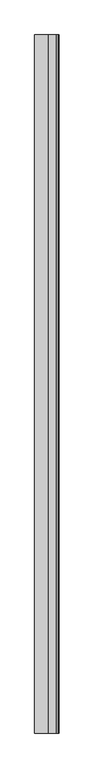
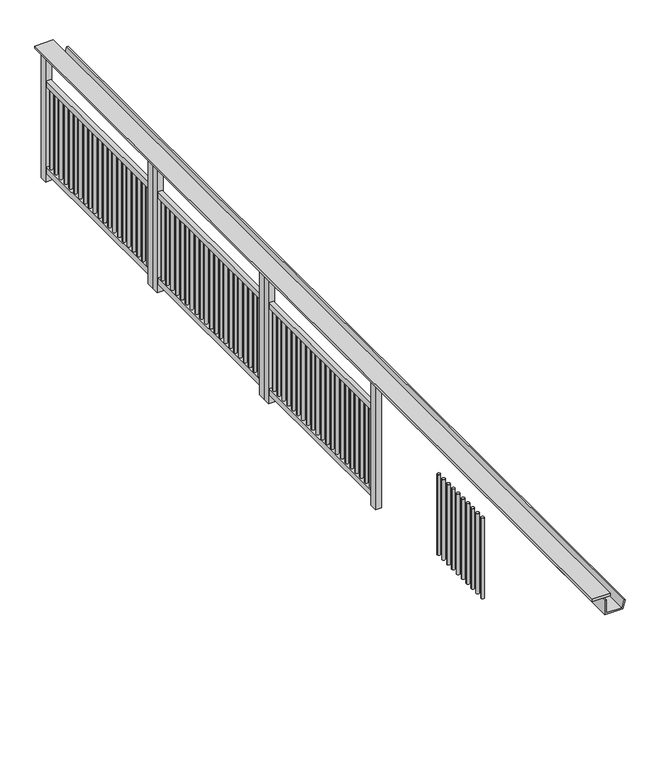
"""IFC4 building model written with IfcOpenShell, lengths in millimetres: railing geometry."""

from ifc_helpers import new_model, si_unit, point, frame, frame_2d, origin, origin_with_axes, place, context, project, spatial, polyline, circle_curve, trimmed, segment, composite_curve, outline, extrude, source, transform, mapped, element, save


def railing_3120b621(model_context):
    return source(origin(), model_context, "Body", "SweptSolid", [
        extrude(outline(polyline([(199.7628773, -25760.8033767), (79.7628773, -25760.8033767), (79.7628773, -19510.8033767), (199.7628773, -19510.8033767), (199.7628773, -25760.8033767)])), frame((0.0, 0.0, 899.8828423), z_axis=(0.0, 0.0, 1.0), x_axis=(1.0, 0.0, 0.0)), (0.0, 0.0, 1.0), 15.1171577),
        extrude(outline(polyline([(780.0, 164.7628773), (780.0, 281.9708011), (836.340031, 297.0670669), (838.9282214, 287.4078087), (790.0, 274.2975312), (790.0, 174.7628773), (880.0, 174.7628773), (880.0, 164.7628773), (780.0, 164.7628773)])), frame((0.0, -25760.8033767, 0.0), z_axis=(0.0, 1.0, 0.0), x_axis=(0.0, 0.0, 1.0)), (0.0, 0.0, 1.0), 6250.0),
        extrude(outline(composite_curve([segment(trimmed(circle_curve(frame_2d((139.7628773, -20680.8026662)), 10.0), [point((149.7628773, -20680.8026662))], [point((129.7628773, -20680.8026662))], False, "CARTESIAN"), True, "CONTINUOUS"), segment(trimmed(circle_curve(frame_2d((139.7628773, -20680.8026662)), 10.0), [point((129.7628773, -20680.8026662))], [point((149.7628773, -20680.8026662))], False, "CARTESIAN"), True, "CONTINUOUS")], self_intersect=False)), frame((0.0, 0.0, 100.0), z_axis=(0.0, 0.0, 1.0), x_axis=(1.0, 0.0, 0.0)), (0.0, 0.0, 1.0), 550.0),
        extrude(outline(composite_curve([segment(trimmed(circle_curve(frame_2d((139.7628773, -20626.3026662)), 10.0), [point((149.7628773, -20626.3026662))], [point((129.7628773, -20626.3026662))], False, "CARTESIAN"), True, "CONTINUOUS"), segment(trimmed(circle_curve(frame_2d((139.7628773, -20626.3026662)), 10.0), [point((129.7628773, -20626.3026662))], [point((149.7628773, -20626.3026662))], False, "CARTESIAN"), True, "CONTINUOUS")], self_intersect=False)), frame((0.0, 0.0, 100.0), z_axis=(0.0, 0.0, 1.0), x_axis=(1.0, 0.0, 0.0)), (0.0, 0.0, 1.0), 550.0),
        extrude(outline(composite_curve([segment(trimmed(circle_curve(frame_2d((139.7628773, -20571.8026662)), 10.0), [point((149.7628773, -20571.8026662))], [point((129.7628773, -20571.8026662))], False, "CARTESIAN"), True, "CONTINUOUS"), segment(trimmed(circle_curve(frame_2d((139.7628773, -20571.8026662)), 10.0), [point((129.7628773, -20571.8026662))], [point((149.7628773, -20571.8026662))], False, "CARTESIAN"), True, "CONTINUOUS")], self_intersect=False)), frame((0.0, 0.0, 100.0), z_axis=(0.0, 0.0, 1.0), x_axis=(1.0, 0.0, 0.0)), (0.0, 0.0, 1.0), 550.0),
        extrude(outline(composite_curve([segment(trimmed(circle_curve(frame_2d((139.7628773, -20517.3026662)), 10.0), [point((149.7628773, -20517.3026662))], [point((129.7628773, -20517.3026662))], False, "CARTESIAN"), True, "CONTINUOUS"), segment(trimmed(circle_curve(frame_2d((139.7628773, -20517.3026662)), 10.0), [point((129.7628773, -20517.3026662))], [point((149.7628773, -20517.3026662))], False, "CARTESIAN"), True, "CONTINUOUS")], self_intersect=False)), frame((0.0, 0.0, 100.0), z_axis=(0.0, 0.0, 1.0), x_axis=(1.0, 0.0, 0.0)), (0.0, 0.0, 1.0), 550.0),
        extrude(outline(composite_curve([segment(trimmed(circle_curve(frame_2d((139.7628773, -20462.8026662)), 10.0), [point((149.7628773, -20462.8026662))], [point((129.7628773, -20462.8026662))], False, "CARTESIAN"), True, "CONTINUOUS"), segment(trimmed(circle_curve(frame_2d((139.7628773, -20462.8026662)), 10.0), [point((129.7628773, -20462.8026662))], [point((149.7628773, -20462.8026662))], False, "CARTESIAN"), True, "CONTINUOUS")], self_intersect=False)), frame((0.0, 0.0, 100.0), z_axis=(0.0, 0.0, 1.0), x_axis=(1.0, 0.0, 0.0)), (0.0, 0.0, 1.0), 550.0),
        extrude(outline(composite_curve([segment(trimmed(circle_curve(frame_2d((139.7628773, -20408.3026662)), 10.0), [point((149.7628773, -20408.3026662))], [point((129.7628773, -20408.3026662))], False, "CARTESIAN"), True, "CONTINUOUS"), segment(trimmed(circle_curve(frame_2d((139.7628773, -20408.3026662)), 10.0), [point((129.7628773, -20408.3026662))], [point((149.7628773, -20408.3026662))], False, "CARTESIAN"), True, "CONTINUOUS")], self_intersect=False)), frame((0.0, 0.0, 100.0), z_axis=(0.0, 0.0, 1.0), x_axis=(1.0, 0.0, 0.0)), (0.0, 0.0, 1.0), 550.0),
        extrude(outline(composite_curve([segment(trimmed(circle_curve(frame_2d((139.7628773, -20353.8026662)), 10.0), [point((149.7628773, -20353.8026662))], [point((129.7628773, -20353.8026662))], False, "CARTESIAN"), True, "CONTINUOUS"), segment(trimmed(circle_curve(frame_2d((139.7628773, -20353.8026662)), 10.0), [point((129.7628773, -20353.8026662))], [point((149.7628773, -20353.8026662))], False, "CARTESIAN"), True, "CONTINUOUS")], self_intersect=False)), frame((0.0, 0.0, 100.0), z_axis=(0.0, 0.0, 1.0), x_axis=(1.0, 0.0, 0.0)), (0.0, 0.0, 1.0), 550.0),
        extrude(outline(composite_curve([segment(trimmed(circle_curve(frame_2d((139.7628773, -20299.3026662)), 10.0), [point((149.7628773, -20299.3026662))], [point((129.7628773, -20299.3026662))], False, "CARTESIAN"), True, "CONTINUOUS"), segment(trimmed(circle_curve(frame_2d((139.7628773, -20299.3026662)), 10.0), [point((129.7628773, -20299.3026662))], [point((149.7628773, -20299.3026662))], False, "CARTESIAN"), True, "CONTINUOUS")], self_intersect=False)), frame((0.0, 0.0, 100.0), z_axis=(0.0, 0.0, 1.0), x_axis=(1.0, 0.0, 0.0)), (0.0, 0.0, 1.0), 550.0),
        extrude(outline(composite_curve([segment(trimmed(circle_curve(frame_2d((139.7628773, -20244.8026662)), 10.0), [point((149.7628773, -20244.8026662))], [point((129.7628773, -20244.8026662))], False, "CARTESIAN"), True, "CONTINUOUS"), segment(trimmed(circle_curve(frame_2d((139.7628773, -20244.8026662)), 10.0), [point((129.7628773, -20244.8026662))], [point((149.7628773, -20244.8026662))], False, "CARTESIAN"), True, "CONTINUOUS")], self_intersect=False)), frame((0.0, 0.0, 100.0), z_axis=(0.0, 0.0, 1.0), x_axis=(1.0, 0.0, 0.0)), (0.0, 0.0, 1.0), 550.0),
        extrude(outline(composite_curve([segment(trimmed(circle_curve(frame_2d((139.7628773, -20190.3026662)), 10.0), [point((149.7628773, -20190.3026662))], [point((129.7628773, -20190.3026662))], False, "CARTESIAN"), True, "CONTINUOUS"), segment(trimmed(circle_curve(frame_2d((139.7628773, -20190.3026662)), 10.0), [point((129.7628773, -20190.3026662))], [point((149.7628773, -20190.3026662))], False, "CARTESIAN"), True, "CONTINUOUS")], self_intersect=False)), frame((0.0, 0.0, 100.0), z_axis=(0.0, 0.0, 1.0), x_axis=(1.0, 0.0, 0.0)), (0.0, 0.0, 1.0), 550.0),
        extrude(outline(composite_curve([segment(trimmed(circle_curve(frame_2d((139.7628773, -20135.8026662)), 10.0), [point((149.7628773, -20135.8026662))], [point((129.7628773, -20135.8026662))], False, "CARTESIAN"), True, "CONTINUOUS"), segment(trimmed(circle_curve(frame_2d((139.7628773, -20135.8026662)), 10.0), [point((129.7628773, -20135.8026662))], [point((149.7628773, -20135.8026662))], False, "CARTESIAN"), True, "CONTINUOUS")], self_intersect=False)), frame((0.0, 0.0, 100.0), z_axis=(0.0, 0.0, 1.0), x_axis=(1.0, 0.0, 0.0)), (0.0, 0.0, 1.0), 550.0),
        extrude(outline(composite_curve([segment(trimmed(circle_curve(frame_2d((139.7628773, -20081.3026662)), 10.0), [point((149.7628773, -20081.3026662))], [point((129.7628773, -20081.3026662))], False, "CARTESIAN"), True, "CONTINUOUS"), segment(trimmed(circle_curve(frame_2d((139.7628773, -20081.3026662)), 10.0), [point((129.7628773, -20081.3026662))], [point((149.7628773, -20081.3026662))], False, "CARTESIAN"), True, "CONTINUOUS")], self_intersect=False)), frame((0.0, 0.0, 100.0), z_axis=(0.0, 0.0, 1.0), x_axis=(1.0, 0.0, 0.0)), (0.0, 0.0, 1.0), 550.0),
        extrude(outline(composite_curve([segment(trimmed(circle_curve(frame_2d((139.7628773, -20026.8026662)), 10.0), [point((149.7628773, -20026.8026662))], [point((129.7628773, -20026.8026662))], False, "CARTESIAN"), True, "CONTINUOUS"), segment(trimmed(circle_curve(frame_2d((139.7628773, -20026.8026662)), 10.0), [point((129.7628773, -20026.8026662))], [point((149.7628773, -20026.8026662))], False, "CARTESIAN"), True, "CONTINUOUS")], self_intersect=False)), frame((0.0, 0.0, 100.0), z_axis=(0.0, 0.0, 1.0), x_axis=(1.0, 0.0, 0.0)), (0.0, 0.0, 1.0), 550.0),
        extrude(outline(composite_curve([segment(trimmed(circle_curve(frame_2d((139.7628773, -19972.3026662)), 10.0), [point((149.7628773, -19972.3026662))], [point((129.7628773, -19972.3026662))], False, "CARTESIAN"), True, "CONTINUOUS"), segment(trimmed(circle_curve(frame_2d((139.7628773, -19972.3026662)), 10.0), [point((129.7628773, -19972.3026662))], [point((149.7628773, -19972.3026662))], False, "CARTESIAN"), True, "CONTINUOUS")], self_intersect=False)), frame((0.0, 0.0, 100.0), z_axis=(0.0, 0.0, 1.0), x_axis=(1.0, 0.0, 0.0)), (0.0, 0.0, 1.0), 550.0),
        extrude(outline(composite_curve([segment(trimmed(circle_curve(frame_2d((139.7628773, -19917.8026662)), 10.0), [point((149.7628773, -19917.8026662))], [point((129.7628773, -19917.8026662))], False, "CARTESIAN"), True, "CONTINUOUS"), segment(trimmed(circle_curve(frame_2d((139.7628773, -19917.8026662)), 10.0), [point((129.7628773, -19917.8026662))], [point((149.7628773, -19917.8026662))], False, "CARTESIAN"), True, "CONTINUOUS")], self_intersect=False)), frame((0.0, 0.0, 100.0), z_axis=(0.0, 0.0, 1.0), x_axis=(1.0, 0.0, 0.0)), (0.0, 0.0, 1.0), 550.0),
        extrude(outline(composite_curve([segment(trimmed(circle_curve(frame_2d((139.7628773, -19863.3026662)), 10.0), [point((149.7628773, -19863.3026662))], [point((129.7628773, -19863.3026662))], False, "CARTESIAN"), True, "CONTINUOUS"), segment(trimmed(circle_curve(frame_2d((139.7628773, -19863.3026662)), 10.0), [point((129.7628773, -19863.3026662))], [point((149.7628773, -19863.3026662))], False, "CARTESIAN"), True, "CONTINUOUS")], self_intersect=False)), frame((0.0, 0.0, 100.0), z_axis=(0.0, 0.0, 1.0), x_axis=(1.0, 0.0, 0.0)), (0.0, 0.0, 1.0), 550.0),
        extrude(outline(composite_curve([segment(trimmed(circle_curve(frame_2d((139.7628773, -19808.8026662)), 10.0), [point((149.7628773, -19808.8026662))], [point((129.7628773, -19808.8026662))], False, "CARTESIAN"), True, "CONTINUOUS"), segment(trimmed(circle_curve(frame_2d((139.7628773, -19808.8026662)), 10.0), [point((129.7628773, -19808.8026662))], [point((149.7628773, -19808.8026662))], False, "CARTESIAN"), True, "CONTINUOUS")], self_intersect=False)), frame((0.0, 0.0, 100.0), z_axis=(0.0, 0.0, 1.0), x_axis=(1.0, 0.0, 0.0)), (0.0, 0.0, 1.0), 550.0),
        extrude(outline(composite_curve([segment(trimmed(circle_curve(frame_2d((139.7628773, -19754.3026662)), 10.0), [point((149.7628773, -19754.3026662))], [point((129.7628773, -19754.3026662))], False, "CARTESIAN"), True, "CONTINUOUS"), segment(trimmed(circle_curve(frame_2d((139.7628773, -19754.3026662)), 10.0), [point((129.7628773, -19754.3026662))], [point((149.7628773, -19754.3026662))], False, "CARTESIAN"), True, "CONTINUOUS")], self_intersect=False)), frame((0.0, 0.0, 100.0), z_axis=(0.0, 0.0, 1.0), x_axis=(1.0, 0.0, 0.0)), (0.0, 0.0, 1.0), 550.0),
        extrude(outline(composite_curve([segment(trimmed(circle_curve(frame_2d((139.7628773, -19699.8026662)), 10.0), [point((149.7628773, -19699.8026662))], [point((129.7628773, -19699.8026662))], False, "CARTESIAN"), True, "CONTINUOUS"), segment(trimmed(circle_curve(frame_2d((139.7628773, -19699.8026662)), 10.0), [point((129.7628773, -19699.8026662))], [point((149.7628773, -19699.8026662))], False, "CARTESIAN"), True, "CONTINUOUS")], self_intersect=False)), frame((0.0, 0.0, 100.0), z_axis=(0.0, 0.0, 1.0), x_axis=(1.0, 0.0, 0.0)), (0.0, 0.0, 1.0), 550.0),
        extrude(outline(composite_curve([segment(trimmed(circle_curve(frame_2d((139.7628773, -19645.3026662)), 10.0), [point((149.7628773, -19645.3026662))], [point((129.7628773, -19645.3026662))], False, "CARTESIAN"), True, "CONTINUOUS"), segment(trimmed(circle_curve(frame_2d((139.7628773, -19645.3026662)), 10.0), [point((129.7628773, -19645.3026662))], [point((149.7628773, -19645.3026662))], False, "CARTESIAN"), True, "CONTINUOUS")], self_intersect=False)), frame((0.0, 0.0, 100.0), z_axis=(0.0, 0.0, 1.0), x_axis=(1.0, 0.0, 0.0)), (0.0, 0.0, 1.0), 550.0),
        extrude(outline(composite_curve([segment(trimmed(circle_curve(frame_2d((139.7628773, -19590.8026662)), 10.0), [point((149.7628773, -19590.8026662))], [point((129.7628773, -19590.8026662))], False, "CARTESIAN"), True, "CONTINUOUS"), segment(trimmed(circle_curve(frame_2d((139.7628773, -19590.8026662)), 10.0), [point((129.7628773, -19590.8026662))], [point((149.7628773, -19590.8026662))], False, "CARTESIAN"), True, "CONTINUOUS")], self_intersect=False)), frame((0.0, 0.0, 100.0), z_axis=(0.0, 0.0, 1.0), x_axis=(1.0, 0.0, 0.0)), (0.0, 0.0, 1.0), 550.0),
        extrude(outline(polyline([(154.7628773, -19560.8033767), (154.7628773, -20710.8037487), (124.7628773, -20710.8037487), (124.7628773, -19560.8033767), (154.7628773, -19560.8033767)])), frame((0.0, 0.0, 649.9990226), z_axis=(0.0, 0.0, 1.0), x_axis=(1.0, 0.0, 0.0)), (0.0, 0.0, 1.0), 40.0009774),
        extrude(outline(polyline([(154.7628773, -19560.8033767), (154.7628773, -20710.8037487), (124.7628773, -20710.8037487), (124.7628773, -19560.8033767), (154.7628773, -19560.8033767)])), frame((0.0, 0.0, 60.0), z_axis=(0.0, 0.0, 1.0), x_axis=(1.0, 0.0, 0.0)), (0.0, 0.0, 1.0), 40.0),
        extrude(outline(polyline([(159.7628773, -19510.8033767), (159.7628773, -19560.8033767), (119.7628773, -19560.8033767), (119.7628773, -19510.8033767), (159.7628773, -19510.8033767)])), origin_with_axes(), (0.0, 0.0, 1.0), 900.0),
        extrude(outline(polyline([(159.7628773, -20710.8030382), (159.7628773, -20760.8030382), (119.7628773, -20760.8030382), (119.7628773, -20710.8030382), (159.7628773, -20710.8030382)])), origin_with_axes(), (0.0, 0.0, 1.0), 900.0),
        extrude(outline(composite_curve([segment(trimmed(circle_curve(frame_2d((139.7628773, -21931.8026662)), 10.0), [point((149.7628773, -21931.8026662))], [point((129.7628773, -21931.8026662))], False, "CARTESIAN"), True, "CONTINUOUS"), segment(trimmed(circle_curve(frame_2d((139.7628773, -21931.8026662)), 10.0), [point((129.7628773, -21931.8026662))], [point((149.7628773, -21931.8026662))], False, "CARTESIAN"), True, "CONTINUOUS")], self_intersect=False)), frame((0.0, 0.0, 100.0), z_axis=(0.0, 0.0, 1.0), x_axis=(1.0, 0.0, 0.0)), (0.0, 0.0, 1.0), 550.0),
        extrude(outline(composite_curve([segment(trimmed(circle_curve(frame_2d((139.7628773, -21877.3026662)), 10.0), [point((149.7628773, -21877.3026662))], [point((129.7628773, -21877.3026662))], False, "CARTESIAN"), True, "CONTINUOUS"), segment(trimmed(circle_curve(frame_2d((139.7628773, -21877.3026662)), 10.0), [point((129.7628773, -21877.3026662))], [point((149.7628773, -21877.3026662))], False, "CARTESIAN"), True, "CONTINUOUS")], self_intersect=False)), frame((0.0, 0.0, 100.0), z_axis=(0.0, 0.0, 1.0), x_axis=(1.0, 0.0, 0.0)), (0.0, 0.0, 1.0), 550.0),
        extrude(outline(composite_curve([segment(trimmed(circle_curve(frame_2d((139.7628773, -21822.8026662)), 10.0), [point((149.7628773, -21822.8026662))], [point((129.7628773, -21822.8026662))], False, "CARTESIAN"), True, "CONTINUOUS"), segment(trimmed(circle_curve(frame_2d((139.7628773, -21822.8026662)), 10.0), [point((129.7628773, -21822.8026662))], [point((149.7628773, -21822.8026662))], False, "CARTESIAN"), True, "CONTINUOUS")], self_intersect=False)), frame((0.0, 0.0, 100.0), z_axis=(0.0, 0.0, 1.0), x_axis=(1.0, 0.0, 0.0)), (0.0, 0.0, 1.0), 550.0),
        extrude(outline(composite_curve([segment(trimmed(circle_curve(frame_2d((139.7628773, -21768.3026662)), 10.0), [point((149.7628773, -21768.3026662))], [point((129.7628773, -21768.3026662))], False, "CARTESIAN"), True, "CONTINUOUS"), segment(trimmed(circle_curve(frame_2d((139.7628773, -21768.3026662)), 10.0), [point((129.7628773, -21768.3026662))], [point((149.7628773, -21768.3026662))], False, "CARTESIAN"), True, "CONTINUOUS")], self_intersect=False)), frame((0.0, 0.0, 100.0), z_axis=(0.0, 0.0, 1.0), x_axis=(1.0, 0.0, 0.0)), (0.0, 0.0, 1.0), 550.0),
        extrude(outline(composite_curve([segment(trimmed(circle_curve(frame_2d((139.7628773, -21713.8026662)), 10.0), [point((149.7628773, -21713.8026662))], [point((129.7628773, -21713.8026662))], False, "CARTESIAN"), True, "CONTINUOUS"), segment(trimmed(circle_curve(frame_2d((139.7628773, -21713.8026662)), 10.0), [point((129.7628773, -21713.8026662))], [point((149.7628773, -21713.8026662))], False, "CARTESIAN"), True, "CONTINUOUS")], self_intersect=False)), frame((0.0, 0.0, 100.0), z_axis=(0.0, 0.0, 1.0), x_axis=(1.0, 0.0, 0.0)), (0.0, 0.0, 1.0), 550.0),
        extrude(outline(composite_curve([segment(trimmed(circle_curve(frame_2d((139.7628773, -21659.3026662)), 10.0), [point((149.7628773, -21659.3026662))], [point((129.7628773, -21659.3026662))], False, "CARTESIAN"), True, "CONTINUOUS"), segment(trimmed(circle_curve(frame_2d((139.7628773, -21659.3026662)), 10.0), [point((129.7628773, -21659.3026662))], [point((149.7628773, -21659.3026662))], False, "CARTESIAN"), True, "CONTINUOUS")], self_intersect=False)), frame((0.0, 0.0, 100.0), z_axis=(0.0, 0.0, 1.0), x_axis=(1.0, 0.0, 0.0)), (0.0, 0.0, 1.0), 550.0),
        extrude(outline(composite_curve([segment(trimmed(circle_curve(frame_2d((139.7628773, -21604.8026662)), 10.0), [point((149.7628773, -21604.8026662))], [point((129.7628773, -21604.8026662))], False, "CARTESIAN"), True, "CONTINUOUS"), segment(trimmed(circle_curve(frame_2d((139.7628773, -21604.8026662)), 10.0), [point((129.7628773, -21604.8026662))], [point((149.7628773, -21604.8026662))], False, "CARTESIAN"), True, "CONTINUOUS")], self_intersect=False)), frame((0.0, 0.0, 100.0), z_axis=(0.0, 0.0, 1.0), x_axis=(1.0, 0.0, 0.0)), (0.0, 0.0, 1.0), 550.0),
        extrude(outline(composite_curve([segment(trimmed(circle_curve(frame_2d((139.7628773, -21550.3026662)), 10.0), [point((149.7628773, -21550.3026662))], [point((129.7628773, -21550.3026662))], False, "CARTESIAN"), True, "CONTINUOUS"), segment(trimmed(circle_curve(frame_2d((139.7628773, -21550.3026662)), 10.0), [point((129.7628773, -21550.3026662))], [point((149.7628773, -21550.3026662))], False, "CARTESIAN"), True, "CONTINUOUS")], self_intersect=False)), frame((0.0, 0.0, 100.0), z_axis=(0.0, 0.0, 1.0), x_axis=(1.0, 0.0, 0.0)), (0.0, 0.0, 1.0), 550.0),
        extrude(outline(composite_curve([segment(trimmed(circle_curve(frame_2d((139.7628773, -21495.8026662)), 10.0), [point((149.7628773, -21495.8026662))], [point((129.7628773, -21495.8026662))], False, "CARTESIAN"), True, "CONTINUOUS"), segment(trimmed(circle_curve(frame_2d((139.7628773, -21495.8026662)), 10.0), [point((129.7628773, -21495.8026662))], [point((149.7628773, -21495.8026662))], False, "CARTESIAN"), True, "CONTINUOUS")], self_intersect=False)), frame((0.0, 0.0, 100.0), z_axis=(0.0, 0.0, 1.0), x_axis=(1.0, 0.0, 0.0)), (0.0, 0.0, 1.0), 550.0),
        extrude(outline(composite_curve([segment(trimmed(circle_curve(frame_2d((139.7628773, -21441.3026662)), 10.0), [point((149.7628773, -21441.3026662))], [point((129.7628773, -21441.3026662))], False, "CARTESIAN"), True, "CONTINUOUS"), segment(trimmed(circle_curve(frame_2d((139.7628773, -21441.3026662)), 10.0), [point((129.7628773, -21441.3026662))], [point((149.7628773, -21441.3026662))], False, "CARTESIAN"), True, "CONTINUOUS")], self_intersect=False)), frame((0.0, 0.0, 100.0), z_axis=(0.0, 0.0, 1.0), x_axis=(1.0, 0.0, 0.0)), (0.0, 0.0, 1.0), 550.0),
        extrude(outline(composite_curve([segment(trimmed(circle_curve(frame_2d((139.7628773, -21386.8026662)), 10.0), [point((149.7628773, -21386.8026662))], [point((129.7628773, -21386.8026662))], False, "CARTESIAN"), True, "CONTINUOUS"), segment(trimmed(circle_curve(frame_2d((139.7628773, -21386.8026662)), 10.0), [point((129.7628773, -21386.8026662))], [point((149.7628773, -21386.8026662))], False, "CARTESIAN"), True, "CONTINUOUS")], self_intersect=False)), frame((0.0, 0.0, 100.0), z_axis=(0.0, 0.0, 1.0), x_axis=(1.0, 0.0, 0.0)), (0.0, 0.0, 1.0), 550.0),
        extrude(outline(composite_curve([segment(trimmed(circle_curve(frame_2d((139.7628773, -21332.3026662)), 10.0), [point((149.7628773, -21332.3026662))], [point((129.7628773, -21332.3026662))], False, "CARTESIAN"), True, "CONTINUOUS"), segment(trimmed(circle_curve(frame_2d((139.7628773, -21332.3026662)), 10.0), [point((129.7628773, -21332.3026662))], [point((149.7628773, -21332.3026662))], False, "CARTESIAN"), True, "CONTINUOUS")], self_intersect=False)), frame((0.0, 0.0, 100.0), z_axis=(0.0, 0.0, 1.0), x_axis=(1.0, 0.0, 0.0)), (0.0, 0.0, 1.0), 550.0),
        extrude(outline(composite_curve([segment(trimmed(circle_curve(frame_2d((139.7628773, -21277.8026662)), 10.0), [point((149.7628773, -21277.8026662))], [point((129.7628773, -21277.8026662))], False, "CARTESIAN"), True, "CONTINUOUS"), segment(trimmed(circle_curve(frame_2d((139.7628773, -21277.8026662)), 10.0), [point((129.7628773, -21277.8026662))], [point((149.7628773, -21277.8026662))], False, "CARTESIAN"), True, "CONTINUOUS")], self_intersect=False)), frame((0.0, 0.0, 100.0), z_axis=(0.0, 0.0, 1.0), x_axis=(1.0, 0.0, 0.0)), (0.0, 0.0, 1.0), 550.0),
        extrude(outline(composite_curve([segment(trimmed(circle_curve(frame_2d((139.7628773, -21223.3026662)), 10.0), [point((149.7628773, -21223.3026662))], [point((129.7628773, -21223.3026662))], False, "CARTESIAN"), True, "CONTINUOUS"), segment(trimmed(circle_curve(frame_2d((139.7628773, -21223.3026662)), 10.0), [point((129.7628773, -21223.3026662))], [point((149.7628773, -21223.3026662))], False, "CARTESIAN"), True, "CONTINUOUS")], self_intersect=False)), frame((0.0, 0.0, 100.0), z_axis=(0.0, 0.0, 1.0), x_axis=(1.0, 0.0, 0.0)), (0.0, 0.0, 1.0), 550.0),
        extrude(outline(composite_curve([segment(trimmed(circle_curve(frame_2d((139.7628773, -21168.8026662)), 10.0), [point((149.7628773, -21168.8026662))], [point((129.7628773, -21168.8026662))], False, "CARTESIAN"), True, "CONTINUOUS"), segment(trimmed(circle_curve(frame_2d((139.7628773, -21168.8026662)), 10.0), [point((129.7628773, -21168.8026662))], [point((149.7628773, -21168.8026662))], False, "CARTESIAN"), True, "CONTINUOUS")], self_intersect=False)), frame((0.0, 0.0, 100.0), z_axis=(0.0, 0.0, 1.0), x_axis=(1.0, 0.0, 0.0)), (0.0, 0.0, 1.0), 550.0),
        extrude(outline(composite_curve([segment(trimmed(circle_curve(frame_2d((139.7628773, -21114.3026662)), 10.0), [point((149.7628773, -21114.3026662))], [point((129.7628773, -21114.3026662))], False, "CARTESIAN"), True, "CONTINUOUS"), segment(trimmed(circle_curve(frame_2d((139.7628773, -21114.3026662)), 10.0), [point((129.7628773, -21114.3026662))], [point((149.7628773, -21114.3026662))], False, "CARTESIAN"), True, "CONTINUOUS")], self_intersect=False)), frame((0.0, 0.0, 100.0), z_axis=(0.0, 0.0, 1.0), x_axis=(1.0, 0.0, 0.0)), (0.0, 0.0, 1.0), 550.0),
        extrude(outline(composite_curve([segment(trimmed(circle_curve(frame_2d((139.7628773, -21059.8026662)), 10.0), [point((149.7628773, -21059.8026662))], [point((129.7628773, -21059.8026662))], False, "CARTESIAN"), True, "CONTINUOUS"), segment(trimmed(circle_curve(frame_2d((139.7628773, -21059.8026662)), 10.0), [point((129.7628773, -21059.8026662))], [point((149.7628773, -21059.8026662))], False, "CARTESIAN"), True, "CONTINUOUS")], self_intersect=False)), frame((0.0, 0.0, 100.0), z_axis=(0.0, 0.0, 1.0), x_axis=(1.0, 0.0, 0.0)), (0.0, 0.0, 1.0), 550.0),
        extrude(outline(composite_curve([segment(trimmed(circle_curve(frame_2d((139.7628773, -21005.3026662)), 10.0), [point((149.7628773, -21005.3026662))], [point((129.7628773, -21005.3026662))], False, "CARTESIAN"), True, "CONTINUOUS"), segment(trimmed(circle_curve(frame_2d((139.7628773, -21005.3026662)), 10.0), [point((129.7628773, -21005.3026662))], [point((149.7628773, -21005.3026662))], False, "CARTESIAN"), True, "CONTINUOUS")], self_intersect=False)), frame((0.0, 0.0, 100.0), z_axis=(0.0, 0.0, 1.0), x_axis=(1.0, 0.0, 0.0)), (0.0, 0.0, 1.0), 550.0),
        extrude(outline(composite_curve([segment(trimmed(circle_curve(frame_2d((139.7628773, -20950.8026662)), 10.0), [point((149.7628773, -20950.8026662))], [point((129.7628773, -20950.8026662))], False, "CARTESIAN"), True, "CONTINUOUS"), segment(trimmed(circle_curve(frame_2d((139.7628773, -20950.8026662)), 10.0), [point((129.7628773, -20950.8026662))], [point((149.7628773, -20950.8026662))], False, "CARTESIAN"), True, "CONTINUOUS")], self_intersect=False)), frame((0.0, 0.0, 100.0), z_axis=(0.0, 0.0, 1.0), x_axis=(1.0, 0.0, 0.0)), (0.0, 0.0, 1.0), 550.0),
        extrude(outline(composite_curve([segment(trimmed(circle_curve(frame_2d((139.7628773, -20896.3026662)), 10.0), [point((149.7628773, -20896.3026662))], [point((129.7628773, -20896.3026662))], False, "CARTESIAN"), True, "CONTINUOUS"), segment(trimmed(circle_curve(frame_2d((139.7628773, -20896.3026662)), 10.0), [point((129.7628773, -20896.3026662))], [point((149.7628773, -20896.3026662))], False, "CARTESIAN"), True, "CONTINUOUS")], self_intersect=False)), frame((0.0, 0.0, 100.0), z_axis=(0.0, 0.0, 1.0), x_axis=(1.0, 0.0, 0.0)), (0.0, 0.0, 1.0), 550.0),
        extrude(outline(composite_curve([segment(trimmed(circle_curve(frame_2d((139.7628773, -20841.8026662)), 10.0), [point((149.7628773, -20841.8026662))], [point((129.7628773, -20841.8026662))], False, "CARTESIAN"), True, "CONTINUOUS"), segment(trimmed(circle_curve(frame_2d((139.7628773, -20841.8026662)), 10.0), [point((129.7628773, -20841.8026662))], [point((149.7628773, -20841.8026662))], False, "CARTESIAN"), True, "CONTINUOUS")], self_intersect=False)), frame((0.0, 0.0, 100.0), z_axis=(0.0, 0.0, 1.0), x_axis=(1.0, 0.0, 0.0)), (0.0, 0.0, 1.0), 550.0),
        extrude(outline(polyline([(154.7628773, -20811.8033767), (154.7628773, -21961.8037487), (124.7628773, -21961.8037487), (124.7628773, -20811.8033767), (154.7628773, -20811.8033767)])), frame((0.0, 0.0, 649.9990226), z_axis=(0.0, 0.0, 1.0), x_axis=(1.0, 0.0, 0.0)), (0.0, 0.0, 1.0), 40.0009774),
        extrude(outline(polyline([(154.7628773, -20811.8033767), (154.7628773, -21961.8037487), (124.7628773, -21961.8037487), (124.7628773, -20811.8033767), (154.7628773, -20811.8033767)])), frame((0.0, 0.0, 60.0), z_axis=(0.0, 0.0, 1.0), x_axis=(1.0, 0.0, 0.0)), (0.0, 0.0, 1.0), 40.0),
        extrude(outline(polyline([(159.7628773, -20761.8033767), (159.7628773, -20811.8033767), (119.7628773, -20811.8033767), (119.7628773, -20761.8033767), (159.7628773, -20761.8033767)])), origin_with_axes(), (0.0, 0.0, 1.0), 900.0),
        extrude(outline(polyline([(159.7628773, -21961.8030382), (159.7628773, -22011.8030382), (119.7628773, -22011.8030382), (119.7628773, -21961.8030382), (159.7628773, -21961.8030382)])), origin_with_axes(), (0.0, 0.0, 1.0), 900.0),
        extrude(outline(composite_curve([segment(trimmed(circle_curve(frame_2d((139.7628773, -23182.8026662)), 10.0), [point((149.7628773, -23182.8026662))], [point((129.7628773, -23182.8026662))], False, "CARTESIAN"), True, "CONTINUOUS"), segment(trimmed(circle_curve(frame_2d((139.7628773, -23182.8026662)), 10.0), [point((129.7628773, -23182.8026662))], [point((149.7628773, -23182.8026662))], False, "CARTESIAN"), True, "CONTINUOUS")], self_intersect=False)), frame((0.0, 0.0, 100.0), z_axis=(0.0, 0.0, 1.0), x_axis=(1.0, 0.0, 0.0)), (0.0, 0.0, 1.0), 550.0),
        extrude(outline(composite_curve([segment(trimmed(circle_curve(frame_2d((139.7628773, -23128.3026662)), 10.0), [point((149.7628773, -23128.3026662))], [point((129.7628773, -23128.3026662))], False, "CARTESIAN"), True, "CONTINUOUS"), segment(trimmed(circle_curve(frame_2d((139.7628773, -23128.3026662)), 10.0), [point((129.7628773, -23128.3026662))], [point((149.7628773, -23128.3026662))], False, "CARTESIAN"), True, "CONTINUOUS")], self_intersect=False)), frame((0.0, 0.0, 100.0), z_axis=(0.0, 0.0, 1.0), x_axis=(1.0, 0.0, 0.0)), (0.0, 0.0, 1.0), 550.0),
        extrude(outline(composite_curve([segment(trimmed(circle_curve(frame_2d((139.7628773, -23073.8026662)), 10.0), [point((149.7628773, -23073.8026662))], [point((129.7628773, -23073.8026662))], False, "CARTESIAN"), True, "CONTINUOUS"), segment(trimmed(circle_curve(frame_2d((139.7628773, -23073.8026662)), 10.0), [point((129.7628773, -23073.8026662))], [point((149.7628773, -23073.8026662))], False, "CARTESIAN"), True, "CONTINUOUS")], self_intersect=False)), frame((0.0, 0.0, 100.0), z_axis=(0.0, 0.0, 1.0), x_axis=(1.0, 0.0, 0.0)), (0.0, 0.0, 1.0), 550.0),
        extrude(outline(composite_curve([segment(trimmed(circle_curve(frame_2d((139.7628773, -23019.3026662)), 10.0), [point((149.7628773, -23019.3026662))], [point((129.7628773, -23019.3026662))], False, "CARTESIAN"), True, "CONTINUOUS"), segment(trimmed(circle_curve(frame_2d((139.7628773, -23019.3026662)), 10.0), [point((129.7628773, -23019.3026662))], [point((149.7628773, -23019.3026662))], False, "CARTESIAN"), True, "CONTINUOUS")], self_intersect=False)), frame((0.0, 0.0, 100.0), z_axis=(0.0, 0.0, 1.0), x_axis=(1.0, 0.0, 0.0)), (0.0, 0.0, 1.0), 550.0),
        extrude(outline(composite_curve([segment(trimmed(circle_curve(frame_2d((139.7628773, -22964.8026662)), 10.0), [point((149.7628773, -22964.8026662))], [point((129.7628773, -22964.8026662))], False, "CARTESIAN"), True, "CONTINUOUS"), segment(trimmed(circle_curve(frame_2d((139.7628773, -22964.8026662)), 10.0), [point((129.7628773, -22964.8026662))], [point((149.7628773, -22964.8026662))], False, "CARTESIAN"), True, "CONTINUOUS")], self_intersect=False)), frame((0.0, 0.0, 100.0), z_axis=(0.0, 0.0, 1.0), x_axis=(1.0, 0.0, 0.0)), (0.0, 0.0, 1.0), 550.0),
        extrude(outline(composite_curve([segment(trimmed(circle_curve(frame_2d((139.7628773, -22910.3026662)), 10.0), [point((149.7628773, -22910.3026662))], [point((129.7628773, -22910.3026662))], False, "CARTESIAN"), True, "CONTINUOUS"), segment(trimmed(circle_curve(frame_2d((139.7628773, -22910.3026662)), 10.0), [point((129.7628773, -22910.3026662))], [point((149.7628773, -22910.3026662))], False, "CARTESIAN"), True, "CONTINUOUS")], self_intersect=False)), frame((0.0, 0.0, 100.0), z_axis=(0.0, 0.0, 1.0), x_axis=(1.0, 0.0, 0.0)), (0.0, 0.0, 1.0), 550.0),
        extrude(outline(composite_curve([segment(trimmed(circle_curve(frame_2d((139.7628773, -22855.8026662)), 10.0), [point((149.7628773, -22855.8026662))], [point((129.7628773, -22855.8026662))], False, "CARTESIAN"), True, "CONTINUOUS"), segment(trimmed(circle_curve(frame_2d((139.7628773, -22855.8026662)), 10.0), [point((129.7628773, -22855.8026662))], [point((149.7628773, -22855.8026662))], False, "CARTESIAN"), True, "CONTINUOUS")], self_intersect=False)), frame((0.0, 0.0, 100.0), z_axis=(0.0, 0.0, 1.0), x_axis=(1.0, 0.0, 0.0)), (0.0, 0.0, 1.0), 550.0),
        extrude(outline(composite_curve([segment(trimmed(circle_curve(frame_2d((139.7628773, -22801.3026662)), 10.0), [point((149.7628773, -22801.3026662))], [point((129.7628773, -22801.3026662))], False, "CARTESIAN"), True, "CONTINUOUS"), segment(trimmed(circle_curve(frame_2d((139.7628773, -22801.3026662)), 10.0), [point((129.7628773, -22801.3026662))], [point((149.7628773, -22801.3026662))], False, "CARTESIAN"), True, "CONTINUOUS")], self_intersect=False)), frame((0.0, 0.0, 100.0), z_axis=(0.0, 0.0, 1.0), x_axis=(1.0, 0.0, 0.0)), (0.0, 0.0, 1.0), 550.0),
        extrude(outline(composite_curve([segment(trimmed(circle_curve(frame_2d((139.7628773, -22746.8026662)), 10.0), [point((149.7628773, -22746.8026662))], [point((129.7628773, -22746.8026662))], False, "CARTESIAN"), True, "CONTINUOUS"), segment(trimmed(circle_curve(frame_2d((139.7628773, -22746.8026662)), 10.0), [point((129.7628773, -22746.8026662))], [point((149.7628773, -22746.8026662))], False, "CARTESIAN"), True, "CONTINUOUS")], self_intersect=False)), frame((0.0, 0.0, 100.0), z_axis=(0.0, 0.0, 1.0), x_axis=(1.0, 0.0, 0.0)), (0.0, 0.0, 1.0), 550.0),
        extrude(outline(composite_curve([segment(trimmed(circle_curve(frame_2d((139.7628773, -22692.3026662)), 10.0), [point((149.7628773, -22692.3026662))], [point((129.7628773, -22692.3026662))], False, "CARTESIAN"), True, "CONTINUOUS"), segment(trimmed(circle_curve(frame_2d((139.7628773, -22692.3026662)), 10.0), [point((129.7628773, -22692.3026662))], [point((149.7628773, -22692.3026662))], False, "CARTESIAN"), True, "CONTINUOUS")], self_intersect=False)), frame((0.0, 0.0, 100.0), z_axis=(0.0, 0.0, 1.0), x_axis=(1.0, 0.0, 0.0)), (0.0, 0.0, 1.0), 550.0),
        extrude(outline(composite_curve([segment(trimmed(circle_curve(frame_2d((139.7628773, -22637.8026662)), 10.0), [point((149.7628773, -22637.8026662))], [point((129.7628773, -22637.8026662))], False, "CARTESIAN"), True, "CONTINUOUS"), segment(trimmed(circle_curve(frame_2d((139.7628773, -22637.8026662)), 10.0), [point((129.7628773, -22637.8026662))], [point((149.7628773, -22637.8026662))], False, "CARTESIAN"), True, "CONTINUOUS")], self_intersect=False)), frame((0.0, 0.0, 100.0), z_axis=(0.0, 0.0, 1.0), x_axis=(1.0, 0.0, 0.0)), (0.0, 0.0, 1.0), 550.0),
        extrude(outline(composite_curve([segment(trimmed(circle_curve(frame_2d((139.7628773, -22583.3026662)), 10.0), [point((149.7628773, -22583.3026662))], [point((129.7628773, -22583.3026662))], False, "CARTESIAN"), True, "CONTINUOUS"), segment(trimmed(circle_curve(frame_2d((139.7628773, -22583.3026662)), 10.0), [point((129.7628773, -22583.3026662))], [point((149.7628773, -22583.3026662))], False, "CARTESIAN"), True, "CONTINUOUS")], self_intersect=False)), frame((0.0, 0.0, 100.0), z_axis=(0.0, 0.0, 1.0), x_axis=(1.0, 0.0, 0.0)), (0.0, 0.0, 1.0), 550.0),
        extrude(outline(composite_curve([segment(trimmed(circle_curve(frame_2d((139.7628773, -22528.8026662)), 10.0), [point((149.7628773, -22528.8026662))], [point((129.7628773, -22528.8026662))], False, "CARTESIAN"), True, "CONTINUOUS"), segment(trimmed(circle_curve(frame_2d((139.7628773, -22528.8026662)), 10.0), [point((129.7628773, -22528.8026662))], [point((149.7628773, -22528.8026662))], False, "CARTESIAN"), True, "CONTINUOUS")], self_intersect=False)), frame((0.0, 0.0, 100.0), z_axis=(0.0, 0.0, 1.0), x_axis=(1.0, 0.0, 0.0)), (0.0, 0.0, 1.0), 550.0),
        extrude(outline(composite_curve([segment(trimmed(circle_curve(frame_2d((139.7628773, -22474.3026662)), 10.0), [point((149.7628773, -22474.3026662))], [point((129.7628773, -22474.3026662))], False, "CARTESIAN"), True, "CONTINUOUS"), segment(trimmed(circle_curve(frame_2d((139.7628773, -22474.3026662)), 10.0), [point((129.7628773, -22474.3026662))], [point((149.7628773, -22474.3026662))], False, "CARTESIAN"), True, "CONTINUOUS")], self_intersect=False)), frame((0.0, 0.0, 100.0), z_axis=(0.0, 0.0, 1.0), x_axis=(1.0, 0.0, 0.0)), (0.0, 0.0, 1.0), 550.0),
        extrude(outline(composite_curve([segment(trimmed(circle_curve(frame_2d((139.7628773, -22419.8026662)), 10.0), [point((149.7628773, -22419.8026662))], [point((129.7628773, -22419.8026662))], False, "CARTESIAN"), True, "CONTINUOUS"), segment(trimmed(circle_curve(frame_2d((139.7628773, -22419.8026662)), 10.0), [point((129.7628773, -22419.8026662))], [point((149.7628773, -22419.8026662))], False, "CARTESIAN"), True, "CONTINUOUS")], self_intersect=False)), frame((0.0, 0.0, 100.0), z_axis=(0.0, 0.0, 1.0), x_axis=(1.0, 0.0, 0.0)), (0.0, 0.0, 1.0), 550.0),
        extrude(outline(composite_curve([segment(trimmed(circle_curve(frame_2d((139.7628773, -22365.3026662)), 10.0), [point((149.7628773, -22365.3026662))], [point((129.7628773, -22365.3026662))], False, "CARTESIAN"), True, "CONTINUOUS"), segment(trimmed(circle_curve(frame_2d((139.7628773, -22365.3026662)), 10.0), [point((129.7628773, -22365.3026662))], [point((149.7628773, -22365.3026662))], False, "CARTESIAN"), True, "CONTINUOUS")], self_intersect=False)), frame((0.0, 0.0, 100.0), z_axis=(0.0, 0.0, 1.0), x_axis=(1.0, 0.0, 0.0)), (0.0, 0.0, 1.0), 550.0),
        extrude(outline(composite_curve([segment(trimmed(circle_curve(frame_2d((139.7628773, -22310.8026662)), 10.0), [point((149.7628773, -22310.8026662))], [point((129.7628773, -22310.8026662))], False, "CARTESIAN"), True, "CONTINUOUS"), segment(trimmed(circle_curve(frame_2d((139.7628773, -22310.8026662)), 10.0), [point((129.7628773, -22310.8026662))], [point((149.7628773, -22310.8026662))], False, "CARTESIAN"), True, "CONTINUOUS")], self_intersect=False)), frame((0.0, 0.0, 100.0), z_axis=(0.0, 0.0, 1.0), x_axis=(1.0, 0.0, 0.0)), (0.0, 0.0, 1.0), 550.0),
        extrude(outline(composite_curve([segment(trimmed(circle_curve(frame_2d((139.7628773, -22256.3026662)), 10.0), [point((149.7628773, -22256.3026662))], [point((129.7628773, -22256.3026662))], False, "CARTESIAN"), True, "CONTINUOUS"), segment(trimmed(circle_curve(frame_2d((139.7628773, -22256.3026662)), 10.0), [point((129.7628773, -22256.3026662))], [point((149.7628773, -22256.3026662))], False, "CARTESIAN"), True, "CONTINUOUS")], self_intersect=False)), frame((0.0, 0.0, 100.0), z_axis=(0.0, 0.0, 1.0), x_axis=(1.0, 0.0, 0.0)), (0.0, 0.0, 1.0), 550.0),
        extrude(outline(composite_curve([segment(trimmed(circle_curve(frame_2d((139.7628773, -22201.8026662)), 10.0), [point((149.7628773, -22201.8026662))], [point((129.7628773, -22201.8026662))], False, "CARTESIAN"), True, "CONTINUOUS"), segment(trimmed(circle_curve(frame_2d((139.7628773, -22201.8026662)), 10.0), [point((129.7628773, -22201.8026662))], [point((149.7628773, -22201.8026662))], False, "CARTESIAN"), True, "CONTINUOUS")], self_intersect=False)), frame((0.0, 0.0, 100.0), z_axis=(0.0, 0.0, 1.0), x_axis=(1.0, 0.0, 0.0)), (0.0, 0.0, 1.0), 550.0),
        extrude(outline(composite_curve([segment(trimmed(circle_curve(frame_2d((139.7628773, -22147.3026662)), 10.0), [point((149.7628773, -22147.3026662))], [point((129.7628773, -22147.3026662))], False, "CARTESIAN"), True, "CONTINUOUS"), segment(trimmed(circle_curve(frame_2d((139.7628773, -22147.3026662)), 10.0), [point((129.7628773, -22147.3026662))], [point((149.7628773, -22147.3026662))], False, "CARTESIAN"), True, "CONTINUOUS")], self_intersect=False)), frame((0.0, 0.0, 100.0), z_axis=(0.0, 0.0, 1.0), x_axis=(1.0, 0.0, 0.0)), (0.0, 0.0, 1.0), 550.0),
        extrude(outline(composite_curve([segment(trimmed(circle_curve(frame_2d((139.7628773, -22092.8026662)), 10.0), [point((149.7628773, -22092.8026662))], [point((129.7628773, -22092.8026662))], False, "CARTESIAN"), True, "CONTINUOUS"), segment(trimmed(circle_curve(frame_2d((139.7628773, -22092.8026662)), 10.0), [point((129.7628773, -22092.8026662))], [point((149.7628773, -22092.8026662))], False, "CARTESIAN"), True, "CONTINUOUS")], self_intersect=False)), frame((0.0, 0.0, 100.0), z_axis=(0.0, 0.0, 1.0), x_axis=(1.0, 0.0, 0.0)), (0.0, 0.0, 1.0), 550.0),
        extrude(outline(polyline([(154.7628773, -22062.8033767), (154.7628773, -23212.8037487), (124.7628773, -23212.8037487), (124.7628773, -22062.8033767), (154.7628773, -22062.8033767)])), frame((0.0, 0.0, 649.9990226), z_axis=(0.0, 0.0, 1.0), x_axis=(1.0, 0.0, 0.0)), (0.0, 0.0, 1.0), 40.0009774),
        extrude(outline(polyline([(154.7628773, -22062.8033767), (154.7628773, -23212.8037487), (124.7628773, -23212.8037487), (124.7628773, -22062.8033767), (154.7628773, -22062.8033767)])), frame((0.0, 0.0, 60.0), z_axis=(0.0, 0.0, 1.0), x_axis=(1.0, 0.0, 0.0)), (0.0, 0.0, 1.0), 40.0),
        extrude(outline(polyline([(159.7628773, -22012.8033767), (159.7628773, -22062.8033767), (119.7628773, -22062.8033767), (119.7628773, -22012.8033767), (159.7628773, -22012.8033767)])), origin_with_axes(), (0.0, 0.0, 1.0), 900.0),
        extrude(outline(polyline([(159.7628773, -23212.8030382), (159.7628773, -23262.8030382), (119.7628773, -23262.8030382), (119.7628773, -23212.8030382), (159.7628773, -23212.8030382)])), origin_with_axes(), (0.0, 0.0, 1.0), 900.0),
        extrude(outline(composite_curve([segment(trimmed(circle_curve(frame_2d((139.7628773, -24431.8028355)), 10.0), [point((149.7628773, -24431.8028355))], [point((129.7628773, -24431.8028355))], False, "CARTESIAN"), True, "CONTINUOUS"), segment(trimmed(circle_curve(frame_2d((139.7628773, -24431.8028355)), 10.0), [point((129.7628773, -24431.8028355))], [point((149.7628773, -24431.8028355))], False, "CARTESIAN"), True, "CONTINUOUS")], self_intersect=False)), frame((0.0, 0.0, 100.0), z_axis=(0.0, 0.0, 1.0), x_axis=(1.0, 0.0, 0.0)), (0.0, 0.0, 1.0), 550.0),
        extrude(outline(composite_curve([segment(trimmed(circle_curve(frame_2d((139.7628773, -24377.3028355)), 10.0), [point((149.7628773, -24377.3028355))], [point((129.7628773, -24377.3028355))], False, "CARTESIAN"), True, "CONTINUOUS"), segment(trimmed(circle_curve(frame_2d((139.7628773, -24377.3028355)), 10.0), [point((129.7628773, -24377.3028355))], [point((149.7628773, -24377.3028355))], False, "CARTESIAN"), True, "CONTINUOUS")], self_intersect=False)), frame((0.0, 0.0, 100.0), z_axis=(0.0, 0.0, 1.0), x_axis=(1.0, 0.0, 0.0)), (0.0, 0.0, 1.0), 550.0),
        extrude(outline(composite_curve([segment(trimmed(circle_curve(frame_2d((139.7628773, -24322.8028355)), 10.0), [point((149.7628773, -24322.8028355))], [point((129.7628773, -24322.8028355))], False, "CARTESIAN"), True, "CONTINUOUS"), segment(trimmed(circle_curve(frame_2d((139.7628773, -24322.8028355)), 10.0), [point((129.7628773, -24322.8028355))], [point((149.7628773, -24322.8028355))], False, "CARTESIAN"), True, "CONTINUOUS")], self_intersect=False)), frame((0.0, 0.0, 100.0), z_axis=(0.0, 0.0, 1.0), x_axis=(1.0, 0.0, 0.0)), (0.0, 0.0, 1.0), 550.0),
        extrude(outline(composite_curve([segment(trimmed(circle_curve(frame_2d((139.7628773, -24268.3028355)), 10.0), [point((149.7628773, -24268.3028355))], [point((129.7628773, -24268.3028355))], False, "CARTESIAN"), True, "CONTINUOUS"), segment(trimmed(circle_curve(frame_2d((139.7628773, -24268.3028355)), 10.0), [point((129.7628773, -24268.3028355))], [point((149.7628773, -24268.3028355))], False, "CARTESIAN"), True, "CONTINUOUS")], self_intersect=False)), frame((0.0, 0.0, 100.0), z_axis=(0.0, 0.0, 1.0), x_axis=(1.0, 0.0, 0.0)), (0.0, 0.0, 1.0), 550.0),
        extrude(outline(composite_curve([segment(trimmed(circle_curve(frame_2d((139.7628773, -24213.8028355)), 10.0), [point((149.7628773, -24213.8028355))], [point((129.7628773, -24213.8028355))], False, "CARTESIAN"), True, "CONTINUOUS"), segment(trimmed(circle_curve(frame_2d((139.7628773, -24213.8028355)), 10.0), [point((129.7628773, -24213.8028355))], [point((149.7628773, -24213.8028355))], False, "CARTESIAN"), True, "CONTINUOUS")], self_intersect=False)), frame((0.0, 0.0, 100.0), z_axis=(0.0, 0.0, 1.0), x_axis=(1.0, 0.0, 0.0)), (0.0, 0.0, 1.0), 550.0),
        extrude(outline(composite_curve([segment(trimmed(circle_curve(frame_2d((139.7628773, -24159.3028355)), 10.0), [point((149.7628773, -24159.3028355))], [point((129.7628773, -24159.3028355))], False, "CARTESIAN"), True, "CONTINUOUS"), segment(trimmed(circle_curve(frame_2d((139.7628773, -24159.3028355)), 10.0), [point((129.7628773, -24159.3028355))], [point((149.7628773, -24159.3028355))], False, "CARTESIAN"), True, "CONTINUOUS")], self_intersect=False)), frame((0.0, 0.0, 100.0), z_axis=(0.0, 0.0, 1.0), x_axis=(1.0, 0.0, 0.0)), (0.0, 0.0, 1.0), 550.0),
        extrude(outline(composite_curve([segment(trimmed(circle_curve(frame_2d((139.7628773, -24104.8028355)), 10.0), [point((149.7628773, -24104.8028355))], [point((129.7628773, -24104.8028355))], False, "CARTESIAN"), True, "CONTINUOUS"), segment(trimmed(circle_curve(frame_2d((139.7628773, -24104.8028355)), 10.0), [point((129.7628773, -24104.8028355))], [point((149.7628773, -24104.8028355))], False, "CARTESIAN"), True, "CONTINUOUS")], self_intersect=False)), frame((0.0, 0.0, 100.0), z_axis=(0.0, 0.0, 1.0), x_axis=(1.0, 0.0, 0.0)), (0.0, 0.0, 1.0), 550.0),
        extrude(outline(composite_curve([segment(trimmed(circle_curve(frame_2d((139.7628773, -24050.3028355)), 10.0), [point((149.7628773, -24050.3028355))], [point((129.7628773, -24050.3028355))], False, "CARTESIAN"), True, "CONTINUOUS"), segment(trimmed(circle_curve(frame_2d((139.7628773, -24050.3028355)), 10.0), [point((129.7628773, -24050.3028355))], [point((149.7628773, -24050.3028355))], False, "CARTESIAN"), True, "CONTINUOUS")], self_intersect=False)), frame((0.0, 0.0, 100.0), z_axis=(0.0, 0.0, 1.0), x_axis=(1.0, 0.0, 0.0)), (0.0, 0.0, 1.0), 550.0),
        extrude(outline(composite_curve([segment(trimmed(circle_curve(frame_2d((139.7628773, -23995.8028355)), 10.0), [point((149.7628773, -23995.8028355))], [point((129.7628773, -23995.8028355))], False, "CARTESIAN"), True, "CONTINUOUS"), segment(trimmed(circle_curve(frame_2d((139.7628773, -23995.8028355)), 10.0), [point((129.7628773, -23995.8028355))], [point((149.7628773, -23995.8028355))], False, "CARTESIAN"), True, "CONTINUOUS")], self_intersect=False)), frame((0.0, 0.0, 100.0), z_axis=(0.0, 0.0, 1.0), x_axis=(1.0, 0.0, 0.0)), (0.0, 0.0, 1.0), 550.0),
        extrude(outline(composite_curve([segment(trimmed(circle_curve(frame_2d((139.7628773, -23941.3028355)), 10.0), [point((149.7628773, -23941.3028355))], [point((129.7628773, -23941.3028355))], False, "CARTESIAN"), True, "CONTINUOUS"), segment(trimmed(circle_curve(frame_2d((139.7628773, -23941.3028355)), 10.0), [point((129.7628773, -23941.3028355))], [point((149.7628773, -23941.3028355))], False, "CARTESIAN"), True, "CONTINUOUS")], self_intersect=False)), frame((0.0, 0.0, 100.0), z_axis=(0.0, 0.0, 1.0), x_axis=(1.0, 0.0, 0.0)), (0.0, 0.0, 1.0), 550.0),
    ])


if __name__ == "__main__":
    model = new_model("IFC4")
    model_context = context("Model", 3, world=origin())
    ifc_project = project(units=[si_unit("LENGTHUNIT", "METRE", prefix="MILLI")], contexts=[model_context])
    site = spatial("IfcSite", under=ifc_project)
    building = spatial("IfcBuilding", under=site)
    placement = place(None, origin())
    railing_shape = railing_3120b621(model_context)
    element("IfcRailing", 1, at=placement, inside=building, context=model_context, shape_type="MappedRepresentation", body=[
        mapped(railing_shape, transform((0.0, 0.0, 0.0), x_axis=(1.0, 0.0, 0.0), y_axis=(0.0, 1.0, 0.0), z_axis=(0.0, 0.0, 1.0))),
    ])
    save(model, "model.ifc")
